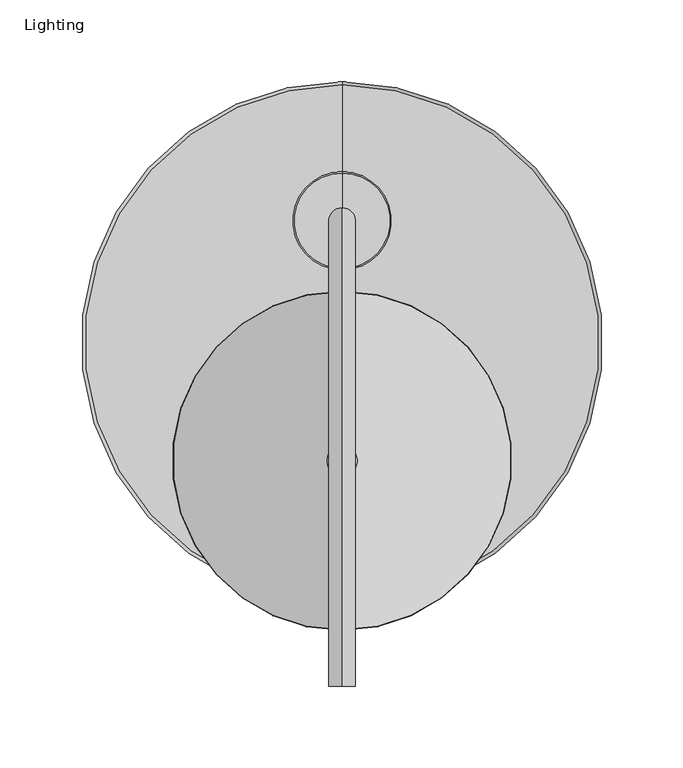
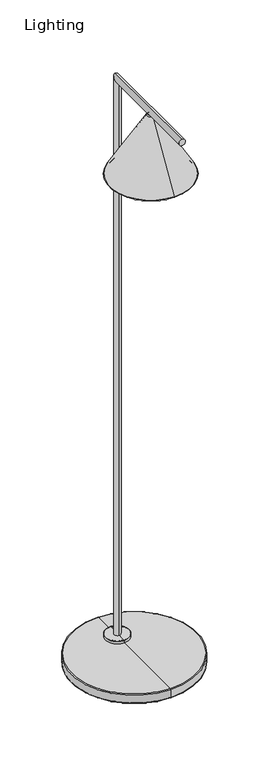
"""IFC4 building model written with IfcOpenShell, lengths in millimetres: furniture geometry, Lighting."""

from ifc_helpers import new_model, si_unit, point, frame, frame_2d, origin, origin_with_axes, place, context, project, spatial, polyline, circle_curve, ellipse_curve, trimmed, segment, composite_curve, outline, extrude, source, transform, mapped, element, save
from ifc_brep_helpers import plane_surface, cylinder_surface, revolved_surface, advanced_brep


def lighting_9e5bc614(model_context):
    return source(origin(), model_context, "Body", "SolidModel", [
        advanced_brep(
        [(-361.1339083, 305.8753639, 1522.6017787), (-361.1339083, 291.1891876, 1522.6017787), (-361.1339083, 200.223249, 1364.2417916), (-361.1339083, 396.8413025, 1364.2417916), (-361.1339083, 302.094125, 1524.7784382), (-361.1339083, 294.9704265, 1524.7784382), (-361.1339083, 298.5322757, 1524.7784382), (-361.1339083, 302.3052638, 1525.5684382), (-361.1339083, 294.7592877, 1525.5684382), (-361.1339083, 298.5322757, 1525.5684382), (-361.1339083, 306.4542199, 1523.1801033), (-361.1339083, 290.6103316, 1523.1801033), (-361.1339083, 398.4970203, 1362.9454385), (-361.1339083, 198.5675312, 1362.9454385)],
        [
            (0, 1, circle_curve(frame((-361.1339083, 298.5322757, 1522.6017787), z_axis=(0.0, 0.0, 1.0), x_axis=(0.0, -1.0, 0.0)), 7.3430882)),
            (1, 2),
            (2, 3, circle_curve(frame((-361.1339083, 298.5322757, 1364.2417916), z_axis=(0.0, 0.0, -1.0), x_axis=(0.0, -1.0, 0.0)), 98.3090268)),
            (3, 0),
            (1, 0, circle_curve(frame((-361.1339083, 298.5322757, 1522.6017787), z_axis=(0.0, 0.0, 1.0), x_axis=(0.0, -1.0, 0.0)), 7.3430882)),
            (3, 2, circle_curve(frame((-361.1339083, 298.5322757, 1364.2417916), z_axis=(0.0, 0.0, -1.0), x_axis=(0.0, -1.0, 0.0)), 98.3090268)),
            (4, 5, circle_curve(frame((-361.1339083, 298.5322757, 1524.7784382), z_axis=(0.0, 0.0, 1.0), x_axis=(0.0, -1.0, 0.0)), 3.5618492)),
            (5, 1),
            (0, 4),
            (5, 4, circle_curve(frame((-361.1339083, 298.5322757, 1524.7784382), z_axis=(0.0, 0.0, 1.0), x_axis=(0.0, -1.0, 0.0)), 3.5618492)),
            (6, 5),
            (4, 6),
            (7, 8, circle_curve(frame((-361.1339083, 298.5322757, 1525.5684382), z_axis=(0.0, 0.0, 1.0), x_axis=(0.0, -1.0, 0.0)), 3.772988)),
            (8, 9),
            (9, 7),
            (8, 7, circle_curve(frame((-361.1339083, 298.5322757, 1525.5684382), z_axis=(0.0, 0.0, 1.0), x_axis=(0.0, -1.0, 0.0)), 3.772988)),
            (10, 11, circle_curve(frame((-361.1339083, 298.5322757, 1523.1801033), z_axis=(0.0, 0.0, 1.0), x_axis=(0.0, -1.0, 0.0)), 7.9219442)),
            (11, 8),
            (7, 10),
            (11, 10, circle_curve(frame((-361.1339083, 298.5322757, 1523.1801033), z_axis=(0.0, 0.0, 1.0), x_axis=(0.0, -1.0, 0.0)), 7.9219442)),
            (12, 13, circle_curve(frame((-361.1339083, 298.5322757, 1362.9454385), z_axis=(0.0, 0.0, 1.0), x_axis=(0.0, -1.0, 0.0)), 99.9647445)),
            (13, 11),
            (10, 12),
            (13, 12, circle_curve(frame((-361.1339083, 298.5322757, 1362.9454385), z_axis=(0.0, 0.0, 1.0), x_axis=(0.0, -1.0, 0.0)), 99.9647445)),
            (2, 13, circle_curve(frame((-361.1339083, 197.7964429, 1365.6358097), z_axis=(-1.0, 0.0, 0.0), x_axis=(0.0, 1.0, 0.0)), 2.7986915)),
            (12, 3, circle_curve(frame((-361.1339083, 399.2681086, 1365.6358097), z_axis=(-1.0, 0.0, 0.0), x_axis=(0.0, -1.0, 0.0)), 2.7986915)),
        ],
        [
            revolved_surface(polyline([(-361.1339083, 200.223249, 1364.2417916), (-361.1339083, 291.1891876, 1522.6017787)]), (-361.1339083, 298.5322757, 1334.6889744), (0.0, 0.0, -1.0)),
            revolved_surface(polyline([(-361.1339083, 291.1891876, 1522.6017787), (-361.1339083, 294.9704265, 1524.7784382)]), (-361.1339083, 298.5322757, 1334.6889744), (0.0, 0.0, -1.0)),
            plane_surface(frame((-361.1339083, 298.5322757, 1524.7784382), z_axis=(0.0, 0.0, -1.0), x_axis=(0.0, -1.0, 0.0))),
            plane_surface(frame((-361.1339083, 298.5322757, 1525.5684382), z_axis=(0.0, 0.0, 1.0), x_axis=(0.0, -1.0, 0.0))),
            revolved_surface(polyline([(-361.1339083, 294.7592877, 1525.5684382), (-361.1339083, 290.6103316, 1523.1801033)]), (-361.1339083, 298.5322757, 1334.6889744), (0.0, 0.0, -1.0)),
            revolved_surface(polyline([(-361.1339083, 290.6103316, 1523.1801033), (-361.1339083, 198.5675312, 1362.9454385)]), (-361.1339083, 298.5322757, 1334.6889744), (0.0, 0.0, -1.0)),
            revolved_surface(trimmed(ellipse_curve(frame((-361.1339083, 197.7964429, 1365.6358097), z_axis=(1.0, 0.0, 0.0), x_axis=(0.0, 1.0, 0.0)), 2.7986915, 2.7986915), [point((-361.1339083, 198.5675312, 1362.9454385))], [point((-361.1339083, 200.223249, 1364.2417916))], True, "CARTESIAN"), (-361.1339083, 298.5322757, 1334.6889744), (0.0, 0.0, -1.0)),
        ],
        [
            (0, [[1, 2, 3, 4]]),
            (0, [[5, -4, 6, -2]]),
            (1, [[7, 8, -1, 9]]),
            (1, [[10, -9, -5, -8]]),
            (2, [[11, -7, 12]]),
            (2, [[-12, -10, -11]]),
            (3, [[13, 14, 15]]),
            (3, [[16, -15, -14]]),
            (4, [[17, 18, -13, 19]]),
            (4, [[20, -19, -16, -18]]),
            (5, [[21, 22, -17, 23]]),
            (5, [[24, -23, -20, -22]]),
            (6, [[-3, 25, -21, 26]]),
            (6, [[-6, -26, -24, -25]]),
        ],
    ),
        advanced_brep(
        [(-361.1339083, 398.4970203, 1362.9454385), (-361.1339083, 198.5675312, 1362.9454385), (-361.1339083, 194.6989178, 1362.9454385), (-361.1339083, 402.3656337, 1362.9454385), (-361.1339083, 306.4542199, 1523.1801033), (-361.1339083, 290.6103316, 1523.1801033), (-361.1339083, 302.3052638, 1525.5684382), (-361.1339083, 294.7592877, 1525.5684382), (-361.1339083, 298.5322757, 1525.5684382), (-361.1339083, 301.9219025, 1527.2834347), (-361.1339083, 295.142649, 1527.2834347), (-361.1339083, 298.5322757, 1527.2834347), (-361.1339083, 305.572617, 1525.013056), (-361.1339083, 291.4919344, 1525.013056), (-361.1339083, 307.7941399, 1522.7530132), (-361.1339083, 289.2704116, 1522.7530132), (-361.1339083, 402.3656337, 1364.6889744), (-361.1339083, 194.6989178, 1364.6889744)],
        [
            (0, 1, circle_curve(frame((-361.1339083, 298.5322757, 1362.9454385), z_axis=(0.0, 0.0, 1.0), x_axis=(0.0, -1.0, 0.0)), 99.9647445)),
            (1, 2),
            (2, 3, circle_curve(frame((-361.1339083, 298.5322757, 1362.9454385), z_axis=(0.0, 0.0, -1.0), x_axis=(0.0, -1.0, 0.0)), 103.833358)),
            (3, 0),
            (1, 0, circle_curve(frame((-361.1339083, 298.5322757, 1362.9454385), z_axis=(0.0, 0.0, 1.0), x_axis=(0.0, -1.0, 0.0)), 99.9647445)),
            (3, 2, circle_curve(frame((-361.1339083, 298.5322757, 1362.9454385), z_axis=(0.0, 0.0, -1.0), x_axis=(0.0, -1.0, 0.0)), 103.833358)),
            (4, 5, circle_curve(frame((-361.1339083, 298.5322757, 1523.1801033), z_axis=(0.0, 0.0, 1.0), x_axis=(0.0, -1.0, 0.0)), 7.9219442)),
            (5, 1),
            (0, 4),
            (5, 4, circle_curve(frame((-361.1339083, 298.5322757, 1523.1801033), z_axis=(0.0, 0.0, 1.0), x_axis=(0.0, -1.0, 0.0)), 7.9219442)),
            (6, 7, circle_curve(frame((-361.1339083, 298.5322757, 1525.5684382), z_axis=(0.0, 0.0, 1.0), x_axis=(0.0, -1.0, 0.0)), 3.772988)),
            (7, 5),
            (4, 6),
            (7, 6, circle_curve(frame((-361.1339083, 298.5322757, 1525.5684382), z_axis=(0.0, 0.0, 1.0), x_axis=(0.0, -1.0, 0.0)), 3.772988)),
            (8, 7),
            (6, 8),
            (9, 10, circle_curve(frame((-361.1339083, 298.5322757, 1527.2834347), z_axis=(0.0, 0.0, 1.0), x_axis=(0.0, -1.0, 0.0)), 3.3896268)),
            (10, 11),
            (11, 9),
            (10, 9, circle_curve(frame((-361.1339083, 298.5322757, 1527.2834347), z_axis=(0.0, 0.0, 1.0), x_axis=(0.0, -1.0, 0.0)), 3.3896268)),
            (12, 13, circle_curve(frame((-361.1339083, 298.5322757, 1525.013056), z_axis=(0.0, 0.0, 1.0), x_axis=(0.0, -1.0, 0.0)), 7.0403413)),
            (13, 10),
            (9, 12),
            (13, 12, circle_curve(frame((-361.1339083, 298.5322757, 1525.013056), z_axis=(0.0, 0.0, 1.0), x_axis=(0.0, -1.0, 0.0)), 7.0403413)),
            (14, 15, circle_curve(frame((-361.1339083, 298.5322757, 1522.7530132), z_axis=(0.0, 0.0, 1.0), x_axis=(0.0, -1.0, 0.0)), 9.2618641)),
            (15, 13, circle_curve(frame((-361.1339083, 295.0467826, 1519.2969454), z_axis=(-1.0, 0.0, 0.0), x_axis=(0.0, 1.0, 0.0)), 6.7313346)),
            (12, 14, circle_curve(frame((-361.1339083, 302.0177689, 1519.2969454), z_axis=(-1.0, 0.0, 0.0), x_axis=(0.0, -1.0, 0.0)), 6.7313346)),
            (15, 14, circle_curve(frame((-361.1339083, 298.5322757, 1522.7530132), z_axis=(0.0, 0.0, 1.0), x_axis=(0.0, -1.0, 0.0)), 9.2618641)),
            (16, 17, circle_curve(frame((-361.1339083, 298.5322757, 1364.6889744), z_axis=(0.0, 0.0, 1.0), x_axis=(0.0, -1.0, 0.0)), 103.833358)),
            (17, 15),
            (14, 16),
            (17, 16, circle_curve(frame((-361.1339083, 298.5322757, 1364.6889744), z_axis=(0.0, 0.0, 1.0), x_axis=(0.0, -1.0, 0.0)), 103.833358)),
            (2, 17, circle_curve(frame((-361.1339083, 196.1559653, 1363.8172064), z_axis=(-1.0, 0.0, 0.0), x_axis=(0.0, 1.0, 0.0)), 1.6979301)),
            (16, 3, circle_curve(frame((-361.1339083, 400.9085862, 1363.8172064), z_axis=(-1.0, 0.0, 0.0), x_axis=(0.0, -1.0, 0.0)), 1.6979301)),
        ],
        [
            plane_surface(frame((-361.1339083, 298.5322757, 1362.9454385), z_axis=(0.0, 0.0, -1.0), x_axis=(0.0, -1.0, 0.0))),
            revolved_surface(polyline([(-361.1339083, 198.5675312, 1362.9454385), (-361.1339083, 290.6103316, 1523.1801033)]), (-361.1339083, 298.5322757, 1551.1492325), (0.0, 0.0, -1.0)),
            revolved_surface(polyline([(-361.1339083, 290.6103316, 1523.1801033), (-361.1339083, 294.7592877, 1525.5684382)]), (-361.1339083, 298.5322757, 1551.1492325), (0.0, 0.0, -1.0)),
            plane_surface(frame((-361.1339083, 298.5322757, 1525.5684382), z_axis=(0.0, 0.0, -1.0), x_axis=(0.0, -1.0, 0.0))),
            plane_surface(frame((-361.1339083, 298.5322757, 1527.2834347), z_axis=(0.0, 0.0, 1.0), x_axis=(0.0, -1.0, 0.0))),
            revolved_surface(polyline([(-361.1339083, 295.142649, 1527.2834347), (-361.1339083, 291.4919344, 1525.013056)]), (-361.1339083, 298.5322757, 1551.1492325), (0.0, 0.0, -1.0)),
            revolved_surface(trimmed(ellipse_curve(frame((-361.1339083, 295.0467826, 1519.2969454), z_axis=(1.0, 0.0, 0.0), x_axis=(0.0, 1.0, 0.0)), 6.7313346, 6.7313346), [point((-361.1339083, 291.4919344, 1525.013056))], [point((-361.1339083, 289.2704116, 1522.7530132))], True, "CARTESIAN"), (-361.1339083, 298.5322757, 1551.1492325), (0.0, 0.0, -1.0)),
            revolved_surface(polyline([(-361.1339083, 289.2704116, 1522.7530132), (-361.1339083, 194.6989178, 1364.6889744)]), (-361.1339083, 298.5322757, 1551.1492325), (0.0, 0.0, -1.0)),
            revolved_surface(trimmed(ellipse_curve(frame((-361.1339083, 196.1559653, 1363.8172064), z_axis=(1.0, 0.0, 0.0), x_axis=(0.0, 1.0, 0.0)), 1.6979301, 1.6979301), [point((-361.1339083, 194.6989178, 1364.6889744))], [point((-361.1339083, 194.6989178, 1362.9454385))], True, "CARTESIAN"), (-361.1339083, 298.5322757, 1551.1492325), (0.0, 0.0, -1.0)),
        ],
        [
            (0, [[1, 2, 3, 4]]),
            (0, [[5, -4, 6, -2]]),
            (1, [[7, 8, -1, 9]]),
            (1, [[10, -9, -5, -8]]),
            (2, [[11, 12, -7, 13]]),
            (2, [[14, -13, -10, -12]]),
            (3, [[15, -11, 16]]),
            (3, [[-16, -14, -15]]),
            (4, [[17, 18, 19]]),
            (4, [[20, -19, -18]]),
            (5, [[21, 22, -17, 23]]),
            (5, [[24, -23, -20, -22]]),
            (6, [[25, 26, -21, 27]]),
            (6, [[28, -27, -24, -26]]),
            (7, [[29, 30, -25, 31]]),
            (7, [[32, -31, -28, -30]]),
            (8, [[-3, 33, -29, 34]]),
            (8, [[-6, -34, -32, -33]]),
        ],
    ),
        advanced_brep(
        [(-361.1339083, 453.8291083, 38.4243948), (-361.1339083, 437.4761395, 38.4243948), (-361.1339083, 160.1799854, 1539.5332297), (-361.1339083, 160.1799854, 1523.1802608), (-361.1339083, 453.8291083, 1539.5332297), (-361.1339083, 437.4761395, 1523.1802608)],
        [
            (0, 1, circle_curve(frame((-361.1339083, 445.6526239, 38.4243948), z_axis=(0.0, 0.0, -1.0), x_axis=(0.0, -1.0, 0.0)), 8.1764844)),
            (1, 0, circle_curve(frame((-361.1339083, 445.6526239, 38.4243948), z_axis=(0.0, 0.0, -1.0), x_axis=(0.0, -1.0, 0.0)), 8.1764844)),
            (2, 3, circle_curve(frame((-361.1339083, 160.1799854, 1531.3567453), z_axis=(0.0, -1.0, 0.0), x_axis=(0.0, 0.0, -1.0)), 8.1764844)),
            (3, 2, circle_curve(frame((-361.1339083, 160.1799854, 1531.3567453), z_axis=(0.0, -1.0, 0.0), x_axis=(0.0, 0.0, -1.0)), 8.1764844)),
            (0, 4),
            (4, 5, ellipse_curve(frame((-361.1339083, 445.6526239, 1531.3567453), z_axis=(0.0, 0.7071067811865455, -0.7071067811865493), x_axis=(0.0, -0.7071067811865492, -0.7071067811865458)), 11.5632951, 8.1764844)),
            (5, 1),
            (5, 4, ellipse_curve(frame((-361.1339083, 445.6526239, 1531.3567453), z_axis=(0.0, 0.7071067811865455, -0.7071067811865493), x_axis=(0.0, -0.7071067811865492, -0.7071067811865458)), 11.5632951, 8.1764844)),
            (4, 2),
            (3, 5),
        ],
        [
            plane_surface(frame((-361.1339083, 453.8291083, 38.4243948), z_axis=(0.0, 0.0, -1.0), x_axis=(1.0, 0.0, 0.0))),
            plane_surface(frame((-361.1339083, 160.1799854, 1539.5332297), z_axis=(0.0, -1.0, 0.0), x_axis=(1.0, 0.0, 0.0))),
            cylinder_surface(frame((-361.1339083, 445.6526239, 38.4243948), z_axis=(0.0, 0.0, -1.0), x_axis=(0.0, -1.0, 0.0)), 8.1764844),
            cylinder_surface(frame((-361.1339083, 453.8291083, 1531.3567453), z_axis=(0.0, 1.0, 0.0), x_axis=(0.0, 0.0, -1.0)), 8.1764844),
        ],
        [
            (0, [[1, 2]]),
            (1, [[3, 4]]),
            (2, [[-1, 5, 6, 7]]),
            (2, [[-2, -7, 8, -5]]),
            (3, [[-6, 9, -4, 10]]),
            (3, [[-8, -10, -3, -9]]),
        ],
    ),
        advanced_brep(
        [(-361.1339083, 415.9064362, 31.2443226), (-361.1339083, 476.2978304, 31.2443226), (-361.1339083, 446.1021333, 31.2443226), (-361.1339083, 415.9064362, 37.5743948), (-361.1339083, 476.2978304, 37.5743948), (-361.1339083, 446.1021333, 38.4243948), (-361.1339083, 475.4478304, 38.4243948), (-361.1339083, 416.7564362, 38.4243948)],
        [
            (0, 1, circle_curve(frame((-361.1339083, 446.1021333, 31.2443226), z_axis=(0.0, 0.0, -1.0), x_axis=(0.0, 1.0, 0.0)), 30.1956971)),
            (1, 2),
            (2, 0),
            (1, 0, circle_curve(frame((-361.1339083, 446.1021333, 31.2443226), z_axis=(0.0, 0.0, -1.0), x_axis=(0.0, 1.0, 0.0)), 30.1956971)),
            (3, 4, circle_curve(frame((-361.1339083, 446.1021333, 37.5743948), z_axis=(0.0, 0.0, -1.0), x_axis=(0.0, 1.0, 0.0)), 30.1956971)),
            (4, 1),
            (0, 3),
            (4, 3, circle_curve(frame((-361.1339083, 446.1021333, 37.5743948), z_axis=(0.0, 0.0, -1.0), x_axis=(0.0, 1.0, 0.0)), 30.1956971)),
            (5, 6),
            (6, 7, circle_curve(frame((-361.1339083, 446.1021333, 38.4243948), z_axis=(0.0, 0.0, 1.0), x_axis=(0.0, 1.0, 0.0)), 29.3456971)),
            (7, 5),
            (7, 6, circle_curve(frame((-361.1339083, 446.1021333, 38.4243948), z_axis=(0.0, 0.0, 1.0), x_axis=(0.0, 1.0, 0.0)), 29.3456971)),
            (6, 4, circle_curve(frame((-361.1339083, 475.4478304, 37.5743948), z_axis=(-1.0, 0.0, 0.0), x_axis=(0.0, 1.0, 0.0)), 0.85)),
            (3, 7, circle_curve(frame((-361.1339083, 416.7564362, 37.5743948), z_axis=(-1.0, 0.0, 0.0), x_axis=(0.0, -1.0, 0.0)), 0.85)),
        ],
        [
            plane_surface(frame((-361.1339083, 446.1021333, 31.2443226), z_axis=(0.0, 0.0, -1.0), x_axis=(0.0, 1.0, 0.0))),
            cylinder_surface(frame((-361.1339083, 446.1021333, 50.8278159), z_axis=(0.0, 0.0, 1.0), x_axis=(0.0, 1.0, 0.0)), 30.1956971),
            plane_surface(frame((-361.1339083, 446.1021333, 38.4243948), z_axis=(0.0, 0.0, 1.0), x_axis=(0.0, 1.0, 0.0))),
            revolved_surface(trimmed(ellipse_curve(frame((-361.1339083, 475.4478304, 37.5743948), z_axis=(1.0, 0.0, 0.0), x_axis=(0.0, 1.0, 0.0)), 0.85, 0.85), [point((-361.1339083, 476.2978304, 37.5743948))], [point((-361.1339083, 475.4478304, 38.4243948))], True, "CARTESIAN"), (-361.1339083, 446.1021333, 50.8278159), (0.0, 0.0, 1.0)),
        ],
        [
            (0, [[1, 2, 3]]),
            (0, [[4, -3, -2]]),
            (1, [[5, 6, -1, 7]]),
            (1, [[8, -7, -4, -6]]),
            (2, [[9, 10, 11]]),
            (2, [[-11, 12, -9]]),
            (3, [[-10, 13, -5, 14]]),
            (3, [[-12, -14, -8, -13]]),
        ],
    ),
        extrude(outline(composite_curve([segment(trimmed(circle_curve(frame_2d((-441.7730914, 482.6461858)), 12.5190992), [point((-454.2921906, 482.6461858))], [point((-429.2539922, 482.6461858))], False, "CARTESIAN"), True, "CONTINUOUS"), segment(trimmed(circle_curve(frame_2d((-441.7730914, 482.6461858)), 12.5190992), [point((-429.2539922, 482.6461858))], [point((-454.2921906, 482.6461858))], False, "CARTESIAN"), True, "CONTINUOUS")], self_intersect=False)), origin_with_axes(), (0.0, 0.0, 1.0), 6.5109664),
        extrude(outline(composite_curve([segment(trimmed(circle_curve(frame_2d((-491.7431783, 329.2141033)), 12.5191027), [point((-504.262281, 329.2141033))], [point((-479.2240756, 329.2141033))], False, "CARTESIAN"), True, "CONTINUOUS"), segment(trimmed(circle_curve(frame_2d((-491.7431783, 329.2141033)), 12.5191027), [point((-479.2240756, 329.2141033))], [point((-504.262281, 329.2141033))], False, "CARTESIAN"), True, "CONTINUOUS")], self_intersect=False)), origin_with_axes(), (0.0, 0.0, 1.0), 6.5109664),
        extrude(outline(composite_curve([segment(trimmed(circle_curve(frame_2d((-280.4947251, 482.6461858)), 12.5190992), [point((-293.0138243, 482.6461858))], [point((-267.975626, 482.6461858))], False, "CARTESIAN"), True, "CONTINUOUS"), segment(trimmed(circle_curve(frame_2d((-280.4947251, 482.6461858)), 12.5190992), [point((-267.975626, 482.6461858))], [point((-293.0138243, 482.6461858))], False, "CARTESIAN"), True, "CONTINUOUS")], self_intersect=False)), origin_with_axes(), (0.0, 0.0, 1.0), 6.5109664),
        extrude(outline(composite_curve([segment(trimmed(circle_curve(frame_2d((-230.5246382, 329.2141033)), 12.5191027), [point((-243.043741, 329.2141033))], [point((-218.0055355, 329.2141033))], False, "CARTESIAN"), True, "CONTINUOUS"), segment(trimmed(circle_curve(frame_2d((-230.5246382, 329.2141033)), 12.5191027), [point((-218.0055355, 329.2141033))], [point((-243.043741, 329.2141033))], False, "CARTESIAN"), True, "CONTINUOUS")], self_intersect=False)), origin_with_axes(), (0.0, 0.0, 1.0), 6.5109664),
        extrude(outline(composite_curve([segment(trimmed(circle_curve(frame_2d((-361.1339083, 234.4414088)), 12.5552558), [point((-373.6891641, 234.4414088))], [point((-348.5786525, 234.4414088))], False, "CARTESIAN"), True, "CONTINUOUS"), segment(trimmed(circle_curve(frame_2d((-361.1339083, 234.4414088)), 12.5552558), [point((-348.5786525, 234.4414088))], [point((-373.6891641, 234.4414088))], False, "CARTESIAN"), True, "CONTINUOUS")], self_intersect=False)), origin_with_axes(), (0.0, 0.0, 1.0), 6.5109664),
        advanced_brep(
        [(-361.1339083, 213.3038296, 6.4070673), (-361.1339083, 529.5038343, 6.4070673), (-361.1339083, 371.403832, 6.4070673), (-361.1339083, 211.4038296, 8.3070673), (-361.1339083, 531.4038343, 8.3070673), (-361.1339083, 211.4038296, 29.3443226), (-361.1339083, 531.4038343, 29.3443226), (-361.1339083, 213.3038296, 31.2443226), (-361.1339083, 529.5038343, 31.2443226), (-361.1339083, 371.403832, 31.2443226)],
        [
            (0, 1, circle_curve(frame((-361.1339083, 371.403832, 6.4070673), z_axis=(0.0, 0.0, -1.0), x_axis=(0.0, 1.0, 0.0)), 158.1000023)),
            (1, 2),
            (2, 0),
            (1, 0, circle_curve(frame((-361.1339083, 371.403832, 6.4070673), z_axis=(0.0, 0.0, -1.0), x_axis=(0.0, 1.0, 0.0)), 158.1000023)),
            (3, 4, circle_curve(frame((-361.1339083, 371.403832, 8.3070673), z_axis=(0.0, 0.0, -1.0), x_axis=(0.0, 1.0, 0.0)), 160.0000023)),
            (4, 1, circle_curve(frame((-361.1339083, 529.5038343, 8.3070673), z_axis=(-1.0, 0.0, 0.0), x_axis=(0.0, 1.0, 0.0)), 1.9)),
            (0, 3, circle_curve(frame((-361.1339083, 213.3038296, 8.3070673), z_axis=(-1.0, 0.0, 0.0), x_axis=(0.0, -1.0, 0.0)), 1.9)),
            (4, 3, circle_curve(frame((-361.1339083, 371.403832, 8.3070673), z_axis=(0.0, 0.0, -1.0), x_axis=(0.0, 1.0, 0.0)), 160.0000023)),
            (5, 6, circle_curve(frame((-361.1339083, 371.403832, 29.3443226), z_axis=(0.0, 0.0, -1.0), x_axis=(0.0, 1.0, 0.0)), 160.0000023)),
            (6, 4),
            (3, 5),
            (6, 5, circle_curve(frame((-361.1339083, 371.403832, 29.3443226), z_axis=(0.0, 0.0, -1.0), x_axis=(0.0, 1.0, 0.0)), 160.0000023)),
            (7, 8, circle_curve(frame((-361.1339083, 371.403832, 31.2443226), z_axis=(0.0, 0.0, -1.0), x_axis=(0.0, 1.0, 0.0)), 158.1000023)),
            (8, 6, circle_curve(frame((-361.1339083, 529.5038343, 29.3443226), z_axis=(-1.0, 0.0, 0.0), x_axis=(0.0, 1.0, 0.0)), 1.9)),
            (5, 7, circle_curve(frame((-361.1339083, 213.3038296, 29.3443226), z_axis=(-1.0, 0.0, 0.0), x_axis=(0.0, -1.0, 0.0)), 1.9)),
            (8, 7, circle_curve(frame((-361.1339083, 371.403832, 31.2443226), z_axis=(0.0, 0.0, -1.0), x_axis=(0.0, 1.0, 0.0)), 158.1000023)),
            (9, 8),
            (7, 9),
        ],
        [
            plane_surface(frame((-361.1339083, 371.403832, 6.4070673), z_axis=(0.0, 0.0, -1.0), x_axis=(0.0, 1.0, 0.0))),
            revolved_surface(trimmed(ellipse_curve(frame((-361.1339083, 529.5038343, 8.3070673), z_axis=(1.0, 0.0, 0.0), x_axis=(0.0, 1.0, 0.0)), 1.9, 1.9), [point((-361.1339083, 529.5038343, 6.4070673))], [point((-361.1339083, 531.4038343, 8.3070673))], True, "CARTESIAN"), (-361.1339083, 371.403832, -65.6291016), (0.0, 0.0, 1.0)),
            cylinder_surface(frame((-361.1339083, 371.403832, -65.6291016), z_axis=(0.0, 0.0, 1.0), x_axis=(0.0, 1.0, 0.0)), 160.0000023),
            revolved_surface(trimmed(ellipse_curve(frame((-361.1339083, 529.5038343, 29.3443226), z_axis=(1.0, 0.0, 0.0), x_axis=(0.0, 1.0, 0.0)), 1.9, 1.9), [point((-361.1339083, 531.4038343, 29.3443226))], [point((-361.1339083, 529.5038343, 31.2443226))], True, "CARTESIAN"), (-361.1339083, 371.403832, -65.6291016), (0.0, 0.0, 1.0)),
            plane_surface(frame((-361.1339083, 371.403832, 31.2443226), z_axis=(0.0, 0.0, 1.0), x_axis=(0.0, 1.0, 0.0))),
        ],
        [
            (0, [[1, 2, 3]]),
            (0, [[4, -3, -2]]),
            (1, [[5, 6, -1, 7]]),
            (1, [[8, -7, -4, -6]]),
            (2, [[9, 10, -5, 11]]),
            (2, [[12, -11, -8, -10]]),
            (3, [[13, 14, -9, 15]]),
            (3, [[16, -15, -12, -14]]),
            (4, [[17, -13, 18]]),
            (4, [[-18, -16, -17]]),
        ],
    ),
    ])


if __name__ == "__main__":
    model = new_model("IFC4")
    model_context = context("Model", 3, world=origin())
    ifc_project = project(units=[si_unit("LENGTHUNIT", "METRE", prefix="MILLI")], contexts=[model_context])
    site = spatial("IfcSite", under=ifc_project)
    building = spatial("IfcBuilding", under=site)
    placement = place(None, origin())
    lighting_shape = lighting_9e5bc614(model_context)
    element("IfcFurniture", 1, ObjectType="Lighting", at=placement, inside=building, context=model_context, shape_type="MappedRepresentation", body=[
        mapped(lighting_shape, transform((0.0, 0.0, 0.0), x_axis=(1.0, 0.0, 0.0), y_axis=(0.0, 1.0, 0.0), z_axis=(0.0, 0.0, 1.0))),
    ])
    save(model, "model.ifc")
